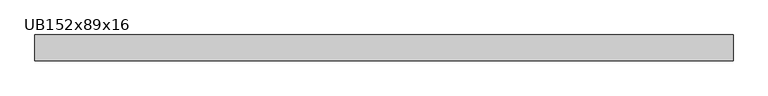
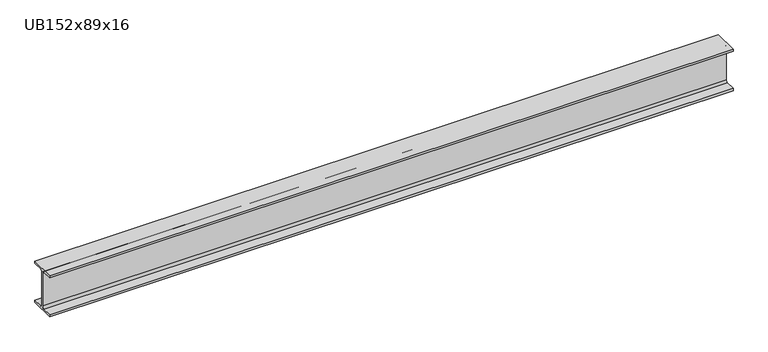
"""IFC4 building model written with IfcOpenShell, lengths in millimetres: beam geometry, UB152x89x16."""

from ifc_helpers import new_model, si_unit, point, frame, frame_2d, origin, place, context, project, spatial, polyline, circle_curve, trimmed, segment, composite_curve, outline, extrude, source, transform, mapped, element, save


def ub152x89x16_741cccf5(model_context):
    return source(origin(), model_context, "Body", "SweptSolid", [
        extrude(outline(composite_curve([segment(polyline([(44.35, -68.5), (44.35, -76.2), (-44.35, -76.2), (-44.35, -68.5), (-9.85, -68.5)]), True, "CONTINUOUS"), segment(trimmed(circle_curve(frame_2d((-9.85, -60.9)), 7.6), [point((-9.85, -68.5))], [point((-2.25, -60.9))], True, "CARTESIAN"), True, "CONTINUOUS"), segment(polyline([(-2.25, -60.9), (-2.25, 60.9)]), True, "CONTINUOUS"), segment(trimmed(circle_curve(frame_2d((-9.85, 60.9)), 7.6), [point((-2.25, 60.9))], [point((-9.85, 68.5))], True, "CARTESIAN"), True, "CONTINUOUS"), segment(polyline([(-9.85, 68.5), (-44.35, 68.5), (-44.35, 76.2), (44.35, 76.2), (44.35, 68.5), (9.85, 68.5)]), True, "CONTINUOUS"), segment(trimmed(circle_curve(frame_2d((9.85, 60.9)), 7.6), [point((9.85, 68.5))], [point((2.25, 60.9))], True, "CARTESIAN"), True, "CONTINUOUS"), segment(polyline([(2.25, 60.9), (2.25, -60.9)]), True, "CONTINUOUS"), segment(trimmed(circle_curve(frame_2d((9.85, -60.9)), 7.6), [point((2.25, -60.9))], [point((9.85, -68.5))], True, "CARTESIAN"), True, "CONTINUOUS"), segment(polyline([(9.85, -68.5), (44.35, -68.5)]), True, "CONTINUOUS")], self_intersect=False)), frame((-1198.55, 0.0, 0.0), z_axis=(1.0, 0.0, 0.0), x_axis=(0.0, 1.0, 0.0)), (0.0, 0.0, 1.0), 2397.1),
    ])


if __name__ == "__main__":
    model = new_model("IFC4")
    model_context = context("Model", 3, world=origin())
    ifc_project = project(units=[si_unit("LENGTHUNIT", "METRE", prefix="MILLI")], contexts=[model_context])
    site = spatial("IfcSite", under=ifc_project)
    building = spatial("IfcBuilding", under=site)
    placement = place(None, origin())
    ub152x89x16_shape = ub152x89x16_741cccf5(model_context)
    element("IfcBeam", 1, ObjectType="UB152x89x16", at=placement, inside=building, context=model_context, shape_type="MappedRepresentation", body=[
        mapped(ub152x89x16_shape, transform((0.0, 0.0, 0.0), x_axis=(1.0, 0.0, 0.0), y_axis=(0.0, 1.0, 0.0), z_axis=(0.0, 0.0, 1.0))),
    ])
    save(model, "model.ifc")
